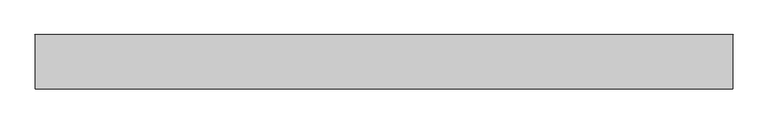
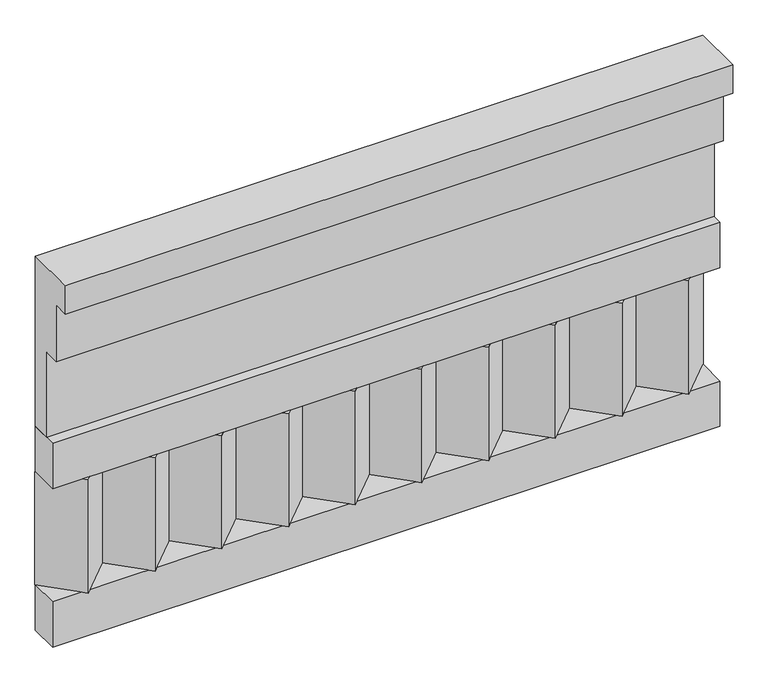
"""IFC4 building model written with IfcOpenShell, lengths in millimetres: railing geometry."""

from ifc_helpers import new_model, si_unit, frame, origin, place, context, project, spatial, polyline, outline, extrude, source, transform, mapped, element, save


def railing_0b3bbd3d(model_context):
    return source(origin(), model_context, "Body", "SweptSolid", [
        extrude(outline(polyline([(-16816.8920513, 21800.0), (-16816.8920513, 21350.0), (-16866.8920513, 21350.0), (-16866.8920513, 21575.0), (-16906.8920513, 21575.0), (-16906.8920513, 21725.0), (-16946.8920513, 21725.0), (-16946.8920513, 21800.0), (-16816.8920513, 21800.0)])), frame((-36509.9887159, 0.0, 0.0), z_axis=(1.0, 0.0, 0.0), x_axis=(0.0, 1.0, 0.0)), (0.0, 0.0, 1.0), 1670.0),
        extrude(outline(polyline([(-36509.9887159, -16891.8920513), (-36509.9887159, -16816.8920513), (-34839.9887159, -16816.8920513), (-34839.9887159, -16891.8920513), (-36509.9887159, -16891.8920513)])), frame((0.0, 0.0, 21230.0), z_axis=(0.0, 0.0, 1.0), x_axis=(1.0, 0.0, 0.0)), (0.0, 0.0, 1.0), 120.0),
        extrude(outline(polyline([(-36509.9887159, -16891.8920513), (-36509.9887159, -16816.8920513), (-34839.9887159, -16816.8920513), (-34839.9887159, -16891.8920513), (-36509.9887159, -16891.8920513)])), frame((0.0, 0.0, 20810.0), z_axis=(0.0, 0.0, 1.0), x_axis=(1.0, 0.0, 0.0)), (0.0, 0.0, 1.0), 120.0),
        extrude(outline(polyline([(-34923.4887159, -16901.7448651), (-35008.3415296, -16816.8920513), (-34838.6359022, -16816.8920513), (-34923.4887159, -16901.7448651)])), frame((0.0, 0.0, 20930.0), z_axis=(0.0, 0.0, 1.0), x_axis=(1.0, 0.0, 0.0)), (0.0, 0.0, 1.0), 300.0),
        extrude(outline(polyline([(-35090.4887159, -16901.7448651), (-35175.3415296, -16816.8920513), (-35005.6359022, -16816.8920513), (-35090.4887159, -16901.7448651)])), frame((0.0, 0.0, 20930.0), z_axis=(0.0, 0.0, 1.0), x_axis=(1.0, 0.0, 0.0)), (0.0, 0.0, 1.0), 300.0),
        extrude(outline(polyline([(-35257.4887159, -16901.7448651), (-35342.3415296, -16816.8920513), (-35172.6359022, -16816.8920513), (-35257.4887159, -16901.7448651)])), frame((0.0, 0.0, 20930.0), z_axis=(0.0, 0.0, 1.0), x_axis=(1.0, 0.0, 0.0)), (0.0, 0.0, 1.0), 300.0),
        extrude(outline(polyline([(-35424.4887159, -16901.7448651), (-35509.3415296, -16816.8920513), (-35339.6359022, -16816.8920513), (-35424.4887159, -16901.7448651)])), frame((0.0, 0.0, 20930.0), z_axis=(0.0, 0.0, 1.0), x_axis=(1.0, 0.0, 0.0)), (0.0, 0.0, 1.0), 300.0),
        extrude(outline(polyline([(-35591.4887159, -16901.7448651), (-35676.3415296, -16816.8920513), (-35506.6359022, -16816.8920513), (-35591.4887159, -16901.7448651)])), frame((0.0, 0.0, 20930.0), z_axis=(0.0, 0.0, 1.0), x_axis=(1.0, 0.0, 0.0)), (0.0, 0.0, 1.0), 300.0),
        extrude(outline(polyline([(-35758.4887159, -16901.7448651), (-35843.3415296, -16816.8920513), (-35673.6359022, -16816.8920513), (-35758.4887159, -16901.7448651)])), frame((0.0, 0.0, 20930.0), z_axis=(0.0, 0.0, 1.0), x_axis=(1.0, 0.0, 0.0)), (0.0, 0.0, 1.0), 300.0),
        extrude(outline(polyline([(-35925.4887159, -16901.7448651), (-36010.3415296, -16816.8920513), (-35840.6359022, -16816.8920513), (-35925.4887159, -16901.7448651)])), frame((0.0, 0.0, 20930.0), z_axis=(0.0, 0.0, 1.0), x_axis=(1.0, 0.0, 0.0)), (0.0, 0.0, 1.0), 300.0),
        extrude(outline(polyline([(-36092.4887159, -16901.7448651), (-36177.3415296, -16816.8920513), (-36007.6359022, -16816.8920513), (-36092.4887159, -16901.7448651)])), frame((0.0, 0.0, 20930.0), z_axis=(0.0, 0.0, 1.0), x_axis=(1.0, 0.0, 0.0)), (0.0, 0.0, 1.0), 300.0),
        extrude(outline(polyline([(-36259.4887159, -16901.7448651), (-36344.3415296, -16816.8920513), (-36174.6359022, -16816.8920513), (-36259.4887159, -16901.7448651)])), frame((0.0, 0.0, 20930.0), z_axis=(0.0, 0.0, 1.0), x_axis=(1.0, 0.0, 0.0)), (0.0, 0.0, 1.0), 300.0),
        extrude(outline(polyline([(-36426.4887159, -16901.7448651), (-36511.3415296, -16816.8920513), (-36341.6359022, -16816.8920513), (-36426.4887159, -16901.7448651)])), frame((0.0, 0.0, 20930.0), z_axis=(0.0, 0.0, 1.0), x_axis=(1.0, 0.0, 0.0)), (0.0, 0.0, 1.0), 300.0),
    ])


if __name__ == "__main__":
    model = new_model("IFC4")
    model_context = context("Model", 3, world=origin())
    ifc_project = project(units=[si_unit("LENGTHUNIT", "METRE", prefix="MILLI")], contexts=[model_context])
    site = spatial("IfcSite", under=ifc_project)
    building = spatial("IfcBuilding", under=site)
    placement = place(None, origin())
    railing_shape = railing_0b3bbd3d(model_context)
    element("IfcRailing", 1, at=placement, inside=building, context=model_context, shape_type="MappedRepresentation", body=[
        mapped(railing_shape, transform((0.0, 0.0, 0.0), x_axis=(1.0, 0.0, 0.0), y_axis=(0.0, 1.0, 0.0), z_axis=(0.0, 0.0, 1.0))),
    ])
    save(model, "model.ifc")
